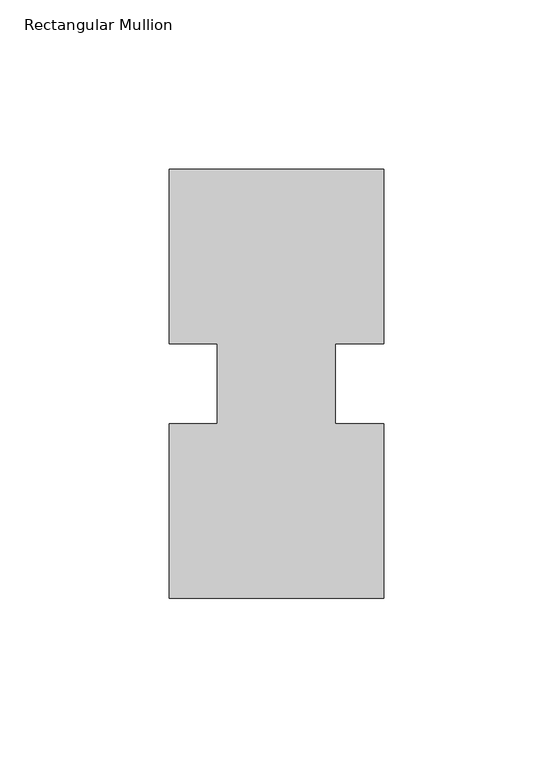
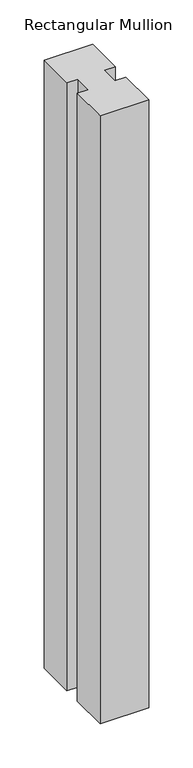
"""IFC4 building model written with IfcOpenShell, lengths in millimetres: member geometry, Rectangular Mullion."""

from ifc_helpers import new_model, si_unit, frame, origin, place, context, project, spatial, polyline, outline, extrude, source, transform, mapped, element, save


def rectangular_mullion_fe78f253(model_context):
    return source(origin(), model_context, "Body", "SweptSolid", [
        extrude(outline(polyline([(31.75, 75.40625), (17.4625, 75.40625), (17.4625, 51.60645), (31.75, 51.60645), (31.75, 0.00635), (-31.75, 0.00635), (-31.75, 51.60645), (-17.4625, 51.60645), (-17.4625, 75.40625), (-31.75, 75.40625), (-31.75, 127.00635), (31.75, 127.00635), (31.75, 75.40625)])), frame((0.0, 0.0, -841.375), z_axis=(0.0, 0.0, 1.0), x_axis=(1.0, 0.0, 0.0)), (0.0, 0.0, 1.0), 841.375),
    ])


if __name__ == "__main__":
    model = new_model("IFC4")
    model_context = context("Model", 3, world=origin())
    ifc_project = project(units=[si_unit("LENGTHUNIT", "METRE", prefix="MILLI")], contexts=[model_context])
    site = spatial("IfcSite", under=ifc_project)
    building = spatial("IfcBuilding", under=site)
    placement = place(None, origin())
    rectangular_mullion_shape = rectangular_mullion_fe78f253(model_context)
    element("IfcMember", 1, ObjectType="Rectangular Mullion", at=placement, inside=building, context=model_context, shape_type="MappedRepresentation", body=[
        mapped(rectangular_mullion_shape, transform((0.0, 0.0, 0.0), x_axis=(1.0, 0.0, 0.0), y_axis=(0.0, 1.0, 0.0), z_axis=(0.0, 0.0, 1.0))),
    ])
    save(model, "model.ifc")
